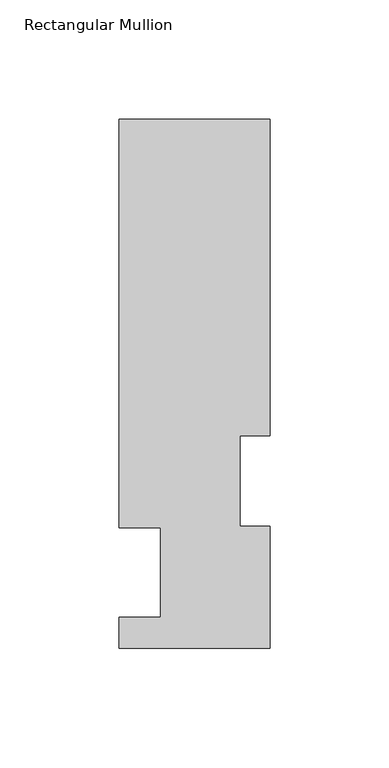
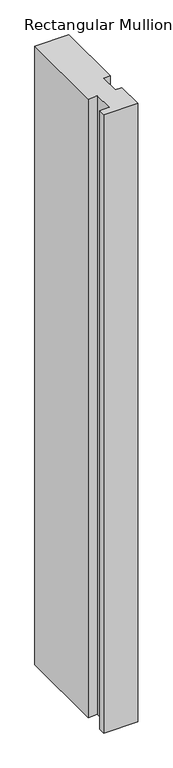
"""IFC4 building model written with IfcOpenShell, lengths in millimetres: member geometry, Rectangular Mullion."""

from ifc_helpers import new_model, si_unit, frame, origin, place, context, project, spatial, polyline, outline, extrude, source, transform, mapped, element, save


def rectangular_mullion_83989e01(model_context):
    return source(origin(), model_context, "Body", "SweptSolid", [
        extrude(outline(polyline([(-31.7500002, 222.5381313), (31.7499998, 222.5381313), (31.7499998, 89.5945312), (19.0499998, 89.5945312), (19.0499998, 51.4945316), (31.7499998, 51.4945316), (31.7499998, 0.2119312), (-31.7500002, 0.2119312), (-31.7500002, 13.3945312), (-14.2747994, 13.3945312), (-14.2747994, 50.8087295), (-31.7500002, 50.8087295), (-31.7500002, 222.5381313)])), frame((0.0, 0.0, -1219.2), z_axis=(0.0, 0.0, 1.0), x_axis=(1.0, 0.0, 0.0)), (0.0, 0.0, 1.0), 1219.2),
    ])


if __name__ == "__main__":
    model = new_model("IFC4")
    model_context = context("Model", 3, world=origin())
    ifc_project = project(units=[si_unit("LENGTHUNIT", "METRE", prefix="MILLI")], contexts=[model_context])
    site = spatial("IfcSite", under=ifc_project)
    building = spatial("IfcBuilding", under=site)
    placement = place(None, origin())
    rectangular_mullion_shape = rectangular_mullion_83989e01(model_context)
    element("IfcMember", 1, ObjectType="Rectangular Mullion", at=placement, inside=building, context=model_context, shape_type="MappedRepresentation", body=[
        mapped(rectangular_mullion_shape, transform((0.0, 0.0, 0.0), x_axis=(1.0, 0.0, 0.0), y_axis=(0.0, 1.0, 0.0), z_axis=(0.0, 0.0, 1.0))),
    ])
    save(model, "model.ifc")
